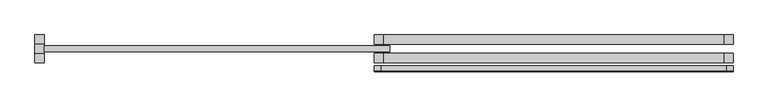
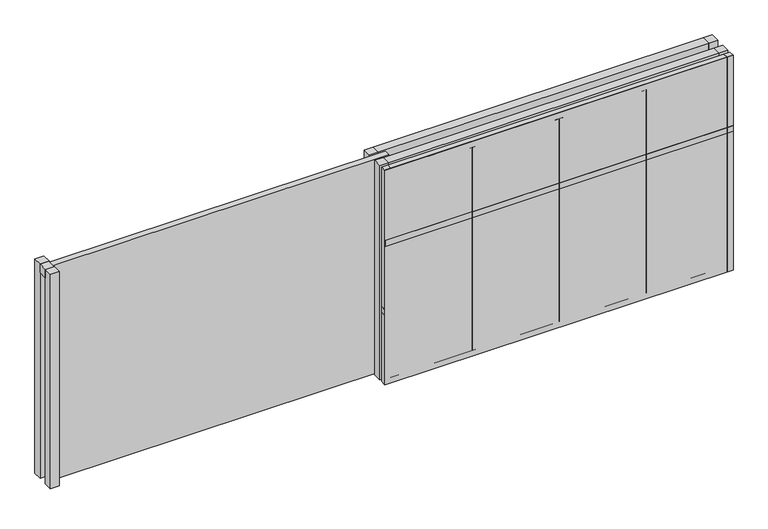
"""IFC4 building model written with IfcOpenShell, lengths in millimetres: proxy geometry."""

import ifcopenshell
import ifcopenshell.guid

model = None  # the IFC model being written
_history = None  # IfcOwnerHistory: only IFC2X3 demands one
_inside = {}  # id of a spatial element -> (the spatial element, [elements in it])
_under = {}  # id of a project, library or spatial element -> (it, [spatial elements below it])
_declared = {}  # id of a project -> (the project, [libraries it declares])
_typed = {}  # id of a type object -> (the type object, [elements of that type])
_made_of = {}  # id of a material, layer set ... -> (it, [elements and type objects made of it])


def new_model(schema):
    """Start an empty IFC model of exactly this schema.

    Asked for "IFC4X3", IfcOpenShell would pick the latest addendum, in which some entities
    have other attributes; the version numbers below select the first issue.
    IFC2X3 requires an IfcOwnerHistory on every rooted entity: one is made here for all.
    """
    global model, _history
    if schema == "IFC4X3":
        model = ifcopenshell.file(schema_version=(4, 3, 0, 0))
    else:
        model = ifcopenshell.file(schema=schema)
    _inside.clear()
    _under.clear()
    _declared.clear()
    _typed.clear()
    _made_of.clear()
    _history = None
    if model.schema == "IFC2X3":
        org = make("IfcOrganization", Name="unknown")
        user = make(
            "IfcPersonAndOrganization",
            ThePerson=make("IfcPerson", FamilyName="unknown"),
            TheOrganization=org,
        )
        app = make(
            "IfcApplication",
            ApplicationDeveloper=org,
            Version="unknown",
            ApplicationFullName="unknown",
            ApplicationIdentifier="unknown",
        )
        _history = make(
            "IfcOwnerHistory",
            OwningUser=user,
            OwningApplication=app,
            ChangeAction="ADDED",
            CreationDate=0,
        )
    return model


def make(cls, **values):
    """One entity of the class cls with the attributes given. An attribute that is None is left unset."""
    return model.create_entity(
        cls, **{name: value for name, value in values.items() if value is not None}
    )


def rooted(cls, **values):
    """An entity with a GlobalId (a new one), such as an element, a storey or a relation."""
    return make(cls, GlobalId=ifcopenshell.guid.new(), OwnerHistory=_history, **values)


def si_unit(unit_type, name, prefix=None):
    """IfcSIUnit, for example si_unit("LENGTHUNIT", "METRE", prefix="MILLI")."""
    return make("IfcSIUnit", UnitType=unit_type, Prefix=prefix, Name=name)


def assignment(units):
    """IfcUnitAssignment: the units of a project."""
    return None if units is None else make("IfcUnitAssignment", Units=units)


def point(xyz):
    """IfcCartesianPoint."""
    return None if xyz is None else make("IfcCartesianPoint", Coordinates=xyz)


def direction(xyz):
    """IfcDirection."""
    return None if xyz is None else make("IfcDirection", DirectionRatios=xyz)


def frame(location, z_axis=None, x_axis=None):
    """IfcAxis2Placement3D, a coordinate frame: its origin and axes. An axis left out is left unset."""
    return make(
        "IfcAxis2Placement3D",
        Location=point(location),
        Axis=direction(z_axis),
        RefDirection=direction(x_axis),
    )


def origin():
    """The frame at (0, 0, 0) with its axes left unset."""
    return frame((0.0, 0.0, 0.0))


def origin_with_axes():
    """The frame at (0, 0, 0) with the z axis (0, 0, 1) and the x axis (1, 0, 0) written out."""
    return frame((0.0, 0.0, 0.0), z_axis=(0.0, 0.0, 1.0), x_axis=(1.0, 0.0, 0.0))


def place(relative_to, where):
    """IfcLocalPlacement: puts the frame where relative to a parent placement (None: the world)."""
    return make(
        "IfcLocalPlacement", PlacementRelTo=relative_to, RelativePlacement=where
    )


def context(
    kind, dimensions, precision=None, world=None, true_north=None, identifier=None
):
    """IfcGeometricRepresentationContext, for example the 3D "Model" context."""
    return make(
        "IfcGeometricRepresentationContext",
        ContextIdentifier=identifier,
        ContextType=kind,
        CoordinateSpaceDimension=dimensions,
        Precision=precision,
        WorldCoordinateSystem=world,
        TrueNorth=true_north,
    )


def project(units=None, contexts=None):
    """IfcProject with its units and contexts."""
    return rooted(
        "IfcProject",
        Name="project",
        RepresentationContexts=contexts,
        UnitsInContext=assignment(units),
    )


def spatial(cls, under=None, at=None, **own):
    """A site, building, storey or space (cls), placed at a placement, below another one or the project."""
    s = rooted(cls, ObjectPlacement=at, **own)
    if under is not None:
        _under.setdefault(under.id(), (under, []))[1].append(s)
    return s


def polyline(points):
    """IfcPolyline through the points."""
    return make("IfcPolyline", Points=[point(p) for p in points])


def outline(outer, holes=None, kind="AREA"):
    """IfcArbitraryClosedProfileDef: a profile drawn as a closed curve; with holes, ...WithVoids."""
    if holes is None:
        return make("IfcArbitraryClosedProfileDef", ProfileType=kind, OuterCurve=outer)
    return make(
        "IfcArbitraryProfileDefWithVoids",
        ProfileType=kind,
        OuterCurve=outer,
        InnerCurves=holes,
    )


def extrude(swept, where, along, depth):
    """IfcExtrudedAreaSolid: the profile swept, set in the frame where, extruded along a direction by depth."""
    return make(
        "IfcExtrudedAreaSolid",
        SweptArea=swept,
        Position=where,
        ExtrudedDirection=direction(along),
        Depth=depth,
    )


def shape(context_of_items, identifier, shape_type, items):
    """IfcShapeRepresentation: the items that make up one representation, for example the "Body"."""
    return make(
        "IfcShapeRepresentation",
        ContextOfItems=context_of_items,
        RepresentationIdentifier=identifier,
        RepresentationType=shape_type,
        Items=items,
    )


def source(mapping_origin, context_of_items, identifier, shape_type, items):
    """IfcRepresentationMap: a shape defined once, which mapped items show again and again."""
    return make(
        "IfcRepresentationMap",
        MappingOrigin=mapping_origin,
        MappedRepresentation=shape(context_of_items, identifier, shape_type, items),
    )


def transform(
    local_origin,
    x_axis=None,
    y_axis=None,
    z_axis=None,
    scale=None,
    scale2=None,
    scale3=None,
    uniform=True,
):
    """IfcCartesianTransformationOperator3D, or its non-uniform kind. x_axis, y_axis, z_axis: its Axis1, 2, 3."""
    if uniform:
        return make(
            "IfcCartesianTransformationOperator3D",
            Axis1=direction(x_axis),
            Axis2=direction(y_axis),
            LocalOrigin=point(local_origin),
            Scale=scale,
            Axis3=direction(z_axis),
        )
    return make(
        "IfcCartesianTransformationOperator3DnonUniform",
        Axis1=direction(x_axis),
        Axis2=direction(y_axis),
        LocalOrigin=point(local_origin),
        Scale=scale,
        Axis3=direction(z_axis),
        Scale2=scale2,
        Scale3=scale3,
    )


def mapped(mapping_source, mapping_target):
    """IfcMappedItem: shows the shape of a source again, moved by a transform."""
    return make(
        "IfcMappedItem", MappingSource=mapping_source, MappingTarget=mapping_target
    )


def made_of(thing, what):
    """Note that an element or type object is made of a material, layer set ...; save() writes the relation."""
    if what is not None:
        _made_of.setdefault(what.id(), (what, []))[1].append(thing)
    return thing


def element(
    cls,
    number,
    at=None,
    inside=None,
    cuts=None,
    type_object=None,
    material=None,
    context=None,
    identifier="Body",
    shape_type=None,
    held_by="IfcProductDefinitionShape",
    body=None,
    shapes=None,
    **own,
):
    """One element of the class cls, such as IfcWall. Its Tag is "e" and its number.

    at: its placement. inside: the storey or other place that contains it. cuts: it is an
    opening in that element (IfcRelVoidsElement). A single representation is given by context,
    identifier, shape_type and body (its items); several are given by shapes. held_by: the class
    of the entity that holds the representations. save() writes the other relations.
    """
    e = rooted(cls, Tag="e%d" % number, ObjectPlacement=at, **own)
    if body is not None:
        shapes = [shape(context, identifier, shape_type, body)]
    if shapes is not None:
        e.Representation = make(held_by, Representations=shapes)
    if inside is not None:
        _inside.setdefault(inside.id(), (inside, []))[1].append(e)
    if cuts is not None:
        rooted(
            "IfcRelVoidsElement", RelatingBuildingElement=cuts, RelatedOpeningElement=e
        )
    if type_object is not None:
        _typed.setdefault(type_object.id(), (type_object, []))[1].append(e)
    return made_of(e, material)


def aggregate(whole, parts):
    """IfcRelAggregates: a whole, such as a stair, and the parts it consists of."""
    return rooted("IfcRelAggregates", RelatingObject=whole, RelatedObjects=parts)


def save(model, path):
    """Write the relations noted so far, then the file.

    IfcRelAggregates (storeys below a building ...), IfcRelContainedInSpatialStructure (elements
    in a storey), IfcRelDefinesByType, IfcRelAssociatesMaterial and IfcRelDeclares: one each for
    every whole, place, type object, material and project.
    """
    for whole, parts in _under.values():
        aggregate(whole, parts)
    for where, things in _inside.values():
        rooted(
            "IfcRelContainedInSpatialStructure",
            RelatedElements=things,
            RelatingStructure=where,
        )
    for kind, things in _typed.values():
        rooted("IfcRelDefinesByType", RelatedObjects=things, RelatingType=kind)
    for what, things in _made_of.values():
        rooted("IfcRelAssociatesMaterial", RelatedObjects=things, RelatingMaterial=what)
    for by, libraries in _declared.values():
        rooted("IfcRelDeclares", RelatingContext=by, RelatedDefinitions=libraries)
    model.write(path)


def generic_models_f5cc3a93(model_context):
    return source(origin(), model_context, "Body", "SweptSolid", [
        extrude(outline(polyline([(9170.0, -299.2151935), (4520.0, -299.2151935), (4520.0, -289.2151935), (9170.0, -289.2151935), (9170.0, -299.2151935)])), origin_with_axes(), (0.0, 0.0, 1.0), 3030.0),
        extrude(outline(polyline([(7957.5, -219.2151935), (8007.5, -219.2151935), (8007.5, -299.2151935), (7957.5, -299.2151935), (7957.5, -219.2151935)])), frame((0.0, 0.0, 80.0), z_axis=(0.0, 0.0, 1.0), x_axis=(1.0, 0.0, 0.0)), (0.0, 0.0, 1.0), 2870.0),
        extrude(outline(polyline([(8057.5, -219.2151935), (8057.5, -299.2151935), (8007.5, -299.2151935), (8007.5, -219.2151935), (8057.5, -219.2151935)])), frame((0.0, 0.0, 80.0), z_axis=(0.0, 0.0, 1.0), x_axis=(1.0, 0.0, 0.0)), (0.0, 0.0, 1.0), 2870.0),
        extrude(outline(polyline([(6795.0, -219.2151935), (6845.0, -219.2151935), (6845.0, -299.2151935), (6795.0, -299.2151935), (6795.0, -219.2151935)])), frame((0.0, 0.0, 80.0), z_axis=(0.0, 0.0, 1.0), x_axis=(1.0, 0.0, 0.0)), (0.0, 0.0, 1.0), 2870.0),
        extrude(outline(polyline([(6895.0, -219.2151935), (6895.0, -299.2151935), (6845.0, -299.2151935), (6845.0, -219.2151935), (6895.0, -219.2151935)])), frame((0.0, 0.0, 80.0), z_axis=(0.0, 0.0, 1.0), x_axis=(1.0, 0.0, 0.0)), (0.0, 0.0, 1.0), 2870.0),
        extrude(outline(polyline([(5632.5, -219.2151935), (5682.5, -219.2151935), (5682.5, -299.2151935), (5632.5, -299.2151935), (5632.5, -219.2151935)])), frame((0.0, 0.0, 80.0), z_axis=(0.0, 0.0, 1.0), x_axis=(1.0, 0.0, 0.0)), (0.0, 0.0, 1.0), 2870.0),
        extrude(outline(polyline([(5732.5, -219.2151935), (5732.5, -299.2151935), (5682.5, -299.2151935), (5682.5, -219.2151935), (5732.5, -219.2151935)])), frame((0.0, 0.0, 80.0), z_axis=(0.0, 0.0, 1.0), x_axis=(1.0, 0.0, 0.0)), (0.0, 0.0, 1.0), 2870.0),
        extrude(outline(polyline([(4520.0, -219.2151935), (9170.0, -219.2151935), (9170.0, -299.2151935), (4520.0, -299.2151935), (4520.0, -219.2151935)])), frame((0.0, 0.0, 980.0), z_axis=(0.0, 0.0, 1.0), x_axis=(1.0, 0.0, 0.0)), (0.0, 0.0, 1.0), 80.0),
        extrude(outline(polyline([(4600.0, -219.2151935), (9170.0, -219.2151935), (9170.0, -299.2151935), (4600.0, -299.2151935), (4600.0, -219.2151935)])), origin_with_axes(), (0.0, 0.0, 1.0), 80.0),
        extrude(outline(polyline([(9090.0, -299.2151935), (9090.0, -219.2151935), (9170.0, -219.2151935), (9170.0, -299.2151935), (9090.0, -299.2151935)])), origin_with_axes(), (0.0, 0.0, 1.0), 3030.0),
        extrude(outline(polyline([(4520.0, -299.2151935), (4520.0, -219.2151935), (4600.0, -219.2151935), (4600.0, -299.2151935), (4520.0, -299.2151935)])), origin_with_axes(), (0.0, 0.0, 1.0), 3030.0),
        extrude(outline(polyline([(4520.0, -220.0), (9170.0, -220.0), (9170.0, -300.0), (4520.0, -300.0), (4520.0, -220.0)])), frame((0.0, 0.0, 1960.0), z_axis=(0.0, 0.0, 1.0), x_axis=(1.0, 0.0, 0.0)), (0.0, 0.0, 1.0), 80.0),
        extrude(outline(polyline([(4520.0, -219.4247403), (9170.0, -219.4247403), (9170.0, -299.4247403), (4520.0, -299.4247403), (4520.0, -219.4247403)])), frame((0.0, 0.0, 2950.0), z_axis=(0.0, 0.0, 1.0), x_axis=(1.0, 0.0, 0.0)), (0.0, 0.0, 1.0), 80.0),
        extrude(outline(polyline([(4640.0, -60.0), (9050.0, -60.0), (9050.0, -180.0), (4640.0, -180.0), (4640.0, -60.0)])), frame((0.0, 0.0, 2910.0), z_axis=(0.0, 0.0, 1.0), x_axis=(1.0, 0.0, 0.0)), (0.0, 0.0, 1.0), 120.0),
        extrude(outline(polyline([(4640.0, 180.0), (9050.0, 180.0), (9050.0, 60.0), (4640.0, 60.0), (4640.0, 180.0)])), frame((0.0, 0.0, 2910.0), z_axis=(0.0, 0.0, 1.0), x_axis=(1.0, 0.0, 0.0)), (0.0, 0.0, 1.0), 120.0),
        extrude(outline(polyline([(9170.0, -60.0), (9170.0, -180.0), (9050.0, -180.0), (9050.0, -60.0), (9170.0, -60.0)])), origin_with_axes(), (0.0, 0.0, 1.0), 3030.0),
        extrude(outline(polyline([(9170.0, 180.0), (9170.0, 60.0), (9050.0, 60.0), (9050.0, 180.0), (9170.0, 180.0)])), origin_with_axes(), (0.0, 0.0, 1.0), 3030.0),
        extrude(outline(polyline([(4640.0, -60.0), (4640.0, -180.0), (4520.0, -180.0), (4520.0, -60.0), (4640.0, -60.0)])), origin_with_axes(), (0.0, 0.0, 1.0), 3030.0),
        extrude(outline(polyline([(4640.0, 180.0), (4640.0, 60.0), (4520.0, 60.0), (4520.0, 180.0), (4640.0, 180.0)])), origin_with_axes(), (0.0, 0.0, 1.0), 3030.0),
        extrude(outline(polyline([(4720.0, 40.0), (4720.0, -40.0), (240.0, -40.0), (240.0, 40.0), (4720.0, 40.0)])), origin_with_axes(), (0.0, 0.0, 1.0), 3030.0),
        extrude(outline(polyline([(240.0, -60.0), (120.0, -60.0), (120.0, 60.0), (240.0, 60.0), (240.0, -60.0)])), frame((0.0, 0.0, 2910.0), z_axis=(0.0, 0.0, 1.0), x_axis=(1.0, 0.0, 0.0)), (0.0, 0.0, 1.0), 120.0),
        extrude(outline(polyline([(240.0, -60.0), (240.0, -180.0), (120.0, -180.0), (120.0, -60.0), (240.0, -60.0)])), origin_with_axes(), (0.0, 0.0, 1.0), 3030.0),
        extrude(outline(polyline([(240.0, 180.0), (240.0, 60.0), (120.0, 60.0), (120.0, 180.0), (240.0, 180.0)])), origin_with_axes(), (0.0, 0.0, 1.0), 3030.0),
    ])


if __name__ == "__main__":
    model = new_model("IFC4")
    model_context = context("Model", 3, world=origin())
    ifc_project = project(units=[si_unit("LENGTHUNIT", "METRE", prefix="MILLI")], contexts=[model_context])
    site = spatial("IfcSite", under=ifc_project)
    building = spatial("IfcBuilding", under=site)
    placement = place(None, origin())
    generic_models_shape = generic_models_f5cc3a93(model_context)
    element("IfcBuildingElementProxy", 1, Name="Generic Models", at=placement, inside=building, context=model_context, shape_type="MappedRepresentation", body=[
        mapped(generic_models_shape, transform((0.0, 0.0, 0.0), x_axis=(1.0, 0.0, 0.0), y_axis=(0.0, 1.0, 0.0), z_axis=(0.0, 0.0, 1.0))),
    ])
    save(model, "model.ifc")
